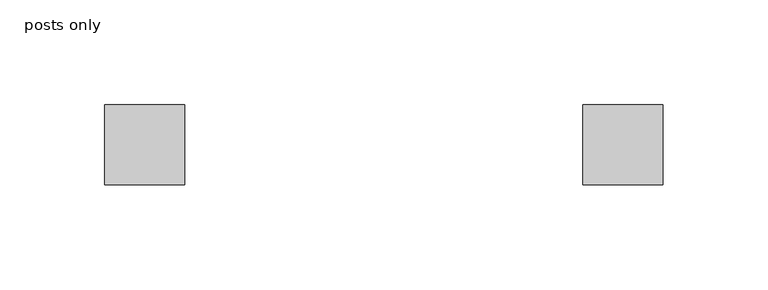
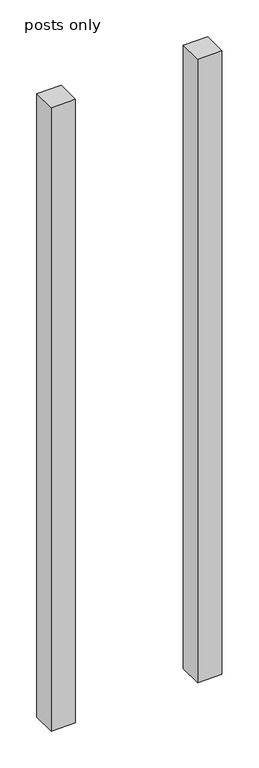
"""IFC4 building model written with IfcOpenShell, lengths in millimetres: railing geometry, posts only."""

from ifc_helpers import new_model, si_unit, origin, origin_with_axes, place, context, project, spatial, polyline, outline, extrude, source, transform, mapped, element, save


def posts_only_29cb8301(model_context):
    return source(origin(), model_context, "Body", "SweptSolid", [
        extrude(outline(polyline([(6926.3452321, 1260.0277348), (6888.2452321, 1260.0277348), (6888.2452321, 1298.1277348), (6926.3452321, 1298.1277348), (6926.3452321, 1260.0277348)])), origin_with_axes(), (0.0, 0.0, 1.0), 1028.7),
        extrude(outline(polyline([(6697.7452321, 1260.0277348), (6659.6452321, 1260.0277348), (6659.6452321, 1298.1277348), (6697.7452321, 1298.1277348), (6697.7452321, 1260.0277348)])), origin_with_axes(), (0.0, 0.0, 1.0), 1028.7),
    ])


if __name__ == "__main__":
    model = new_model("IFC4")
    model_context = context("Model", 3, world=origin())
    ifc_project = project(units=[si_unit("LENGTHUNIT", "METRE", prefix="MILLI")], contexts=[model_context])
    site = spatial("IfcSite", under=ifc_project)
    building = spatial("IfcBuilding", under=site)
    placement = place(None, origin())
    posts_only_shape = posts_only_29cb8301(model_context)
    element("IfcRailing", 1, ObjectType="posts only", at=placement, inside=building, context=model_context, shape_type="MappedRepresentation", body=[
        mapped(posts_only_shape, transform((0.0, 0.0, 0.0), x_axis=(1.0, 0.0, 0.0), y_axis=(0.0, 1.0, 0.0), z_axis=(0.0, 0.0, 1.0))),
    ])
    save(model, "model.ifc")
